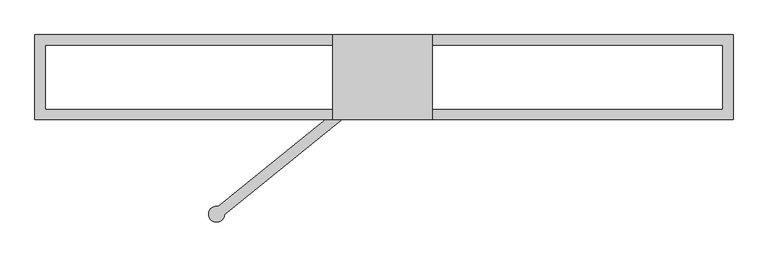
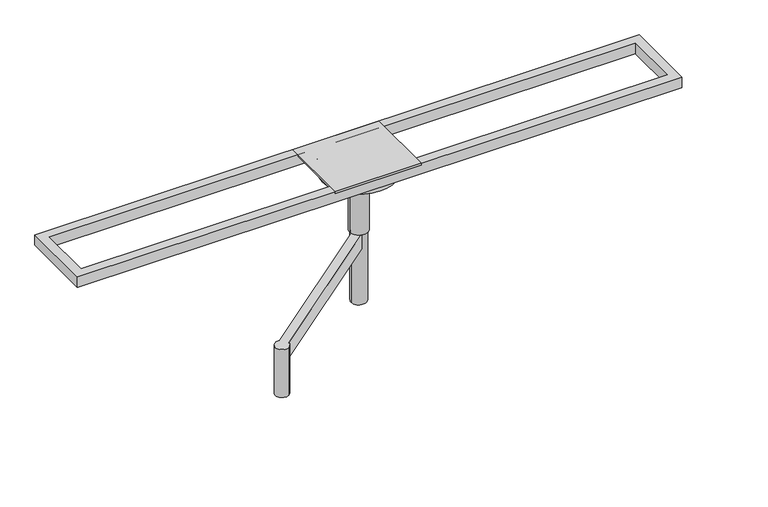
"""IFC4 building model written with IfcOpenShell, lengths in millimetres: proxy geometry."""

from ifc_helpers import new_model, si_unit, point, frame, frame_2d, origin, place, context, project, spatial, polyline, circle_curve, trimmed, segment, composite_curve, outline, extrude, source, transform, mapped, element, save
from ifc_brep_helpers import plane_surface, cylinder_surface, revolved_surface, advanced_brep


def specialty_equipment_f96867ae(model_context):
    return source(origin(), model_context, "Body", "SolidModel", [
        advanced_brep(
        [(78.3495996, -422.624242, 2729.6374648), (55.2213554, -394.0632389, 2729.6374648), (-531.1741252, -868.9169362, 2729.6374648), (-554.5256031, -874.7771815, 2729.6374648), (-518.5562833, -919.1955922, 2729.6374648), (-507.9662266, -897.4134365, 2729.6374648), (55.2213554, -394.0632389, 2663.8736245), (78.3495996, -422.624242, 2663.8736245), (-507.9662266, -897.4134365, 2663.8736245), (-531.1741252, -868.9169362, 2663.8736245), (-518.5562833, -919.1955922, 2520.0874648), (-554.5256031, -874.7771815, 2520.0874648)],
        [
            (0, 1),
            (1, 2),
            (2, 3, circle_curve(frame((-536.5409432, -896.9863869, 2729.6374648), z_axis=(0.0, 0.0, 1.0), x_axis=(-0.6293203910498335, 0.7771459614569741, 0.0)), 28.5779075)),
            (3, 4, circle_curve(frame((-536.5409432, -896.9863869, 2729.6374648), z_axis=(0.0, 0.0, 1.0), x_axis=(-0.6293203910498335, 0.7771459614569741, 0.0)), 28.5779075)),
            (4, 5, circle_curve(frame((-536.5409432, -896.9863869, 2729.6374648), z_axis=(0.0, 0.0, 1.0), x_axis=(-0.6293203910498335, 0.7771459614569741, 0.0)), 28.5779075)),
            (5, 0),
            (6, 7),
            (7, 8),
            (8, 9, circle_curve(frame((-536.5409432, -896.9863869, 2663.8736245), z_axis=(0.0, 0.0, 1.0), x_axis=(-0.6293203910498335, 0.7771459614569741, 0.0)), 28.5779075)),
            (9, 6),
            (7, 0),
            (5, 8),
            (6, 1),
            (9, 2),
            (10, 11, circle_curve(frame((-536.5409432, -896.9863869, 2520.0874648), z_axis=(0.0, 0.0, -1.0), x_axis=(-0.6293203910498335, 0.7771459614569741, 0.0)), 28.5779075)),
            (11, 10, circle_curve(frame((-536.5409432, -896.9863869, 2520.0874648), z_axis=(0.0, 0.0, -1.0), x_axis=(-0.6293203910498335, 0.7771459614569741, 0.0)), 28.5779075)),
            (11, 3),
            (4, 10),
        ],
        [
            plane_surface(frame((78.3495996, -422.624242, 2729.6374648), z_axis=(0.0, 0.0, 1.0), x_axis=(0.7771459614569731, 0.6293203910498347, 0.0))),
            plane_surface(frame((78.3495996, -422.624242, 2663.8736245), z_axis=(0.0, 0.0, -1.0), x_axis=(-0.7771459614569731, -0.6293203910498347, 0.0))),
            plane_surface(frame((-516.698258, -904.4844961, 2729.6374648), z_axis=(0.6293203910498347, -0.7771459614569731, 0.0), x_axis=(0.0, 0.0, -1.0))),
            plane_surface(frame((78.3495996, -422.624242, 2729.6374648), z_axis=(0.7771459614569741, 0.6293203910498334, 0.0), x_axis=(0.0, 0.0, -1.0))),
            plane_surface(frame((55.2213554, -394.0632389, 2729.6374648), z_axis=(-0.6293203910498347, 0.7771459614569732, 0.0), x_axis=(0.0, 0.0, -1.0))),
            plane_surface(frame((-554.5256031, -874.7771815, 2520.0874648), z_axis=(0.0, 0.0, -1.0), x_axis=(0.7771459614569741, 0.6293203910498335, 0.0))),
            cylinder_surface(frame((-536.5409432, -896.9863869, 2520.0874648), z_axis=(0.0, 0.0, 1.0), x_axis=(-0.6293203910498335, 0.7771459614569741, 0.0)), 28.5779075),
        ],
        [
            (0, [[1, 2, 3, 4, 5, 6]]),
            (1, [[7, 8, 9, 10]]),
            (2, [[11, -6, 12, -8]]),
            (3, [[-1, -11, -7, 13]]),
            (4, [[-13, -10, 14, -2]]),
            (5, [[15, 16]]),
            (6, [[-16, 17, -3, -14, -9, -12, -5, 18]]),
            (6, [[-4, -17, -15, -18]]),
        ],
    ),
        extrude(outline(composite_curve([segment(trimmed(circle_curve(frame_2d((64.38677, -407.0120309)), 31.75), [point((96.13677, -407.0120309))], [point((32.63677, -407.0120309))], False, "CARTESIAN"), True, "CONTINUOUS"), segment(trimmed(circle_curve(frame_2d((64.38677, -407.0120309)), 31.75), [point((32.63677, -407.0120309))], [point((96.13677, -407.0120309))], False, "CARTESIAN"), True, "CONTINUOUS")], self_intersect=False)), frame((0.0, 0.0, 2420.3291567), z_axis=(0.0, 0.0, 1.0), x_axis=(1.0, 0.0, 0.0)), (0.0, 0.0, 1.0), 309.3083081),
        extrude(outline(composite_curve([segment(trimmed(circle_curve(frame_2d((64.38677, -407.0120309)), 38.1), [point((102.48677, -407.0120309))], [point((26.28677, -407.0120309))], False, "CARTESIAN"), True, "CONTINUOUS"), segment(trimmed(circle_curve(frame_2d((64.38677, -407.0120309)), 38.1), [point((26.28677, -407.0120309))], [point((102.48677, -407.0120309))], False, "CARTESIAN"), True, "CONTINUOUS")], self_intersect=False)), frame((0.0, 0.0, 2729.6374648), z_axis=(0.0, 0.0, 1.0), x_axis=(1.0, 0.0, 0.0)), (0.0, 0.0, 1.0), 274.9283384),
        extrude(outline(polyline([(-119.5550645, -558.1216486), (-119.5550645, -253.3216486), (235.9984135, -253.3216486), (235.9984135, -558.1216486), (-119.5550645, -558.1216486)])), frame((0.0, 0.0, 3042.3776216), z_axis=(0.0, 0.0, 1.0), x_axis=(1.0, 0.0, 0.0)), (0.0, 0.0, 1.0), 7.6223784),
        advanced_brep(
        [(124.6894938, -406.8374194, 2945.4888457), (4.0394938, -406.8374194, 2945.4888457), (-85.8559963, -406.8374194, 2987.4320065), (214.5849838, -406.8374194, 2987.4320065), (64.3644938, -406.8374194, 2945.4888457), (214.5849838, -406.8374194, 3042.1428225), (-85.8559963, -406.8374194, 3042.1428225), (64.3644938, -406.8374194, 3042.1428225)],
        [
            (0, 1, circle_curve(frame((64.3644938, -406.8374194, 2945.4888457), z_axis=(0.0, 0.0, 1.0), x_axis=(-1.0, 0.0, 0.0)), 60.325)),
            (1, 2),
            (2, 3, circle_curve(frame((64.3644938, -406.8374194, 2987.4320065), z_axis=(0.0, 0.0, -1.0), x_axis=(-1.0, 0.0, 0.0)), 150.22049)),
            (3, 0),
            (1, 0, circle_curve(frame((64.3644938, -406.8374194, 2945.4888457), z_axis=(0.0, 0.0, 1.0), x_axis=(-1.0, 0.0, 0.0)), 60.325)),
            (3, 2, circle_curve(frame((64.3644938, -406.8374194, 2987.4320065), z_axis=(0.0, 0.0, -1.0), x_axis=(-1.0, 0.0, 0.0)), 150.22049)),
            (4, 1),
            (0, 4),
            (5, 6, circle_curve(frame((64.3644938, -406.8374194, 3042.1428225), z_axis=(0.0, 0.0, 1.0), x_axis=(-1.0, 0.0, 0.0)), 150.22049)),
            (6, 7),
            (7, 5),
            (6, 5, circle_curve(frame((64.3644938, -406.8374194, 3042.1428225), z_axis=(0.0, 0.0, 1.0), x_axis=(-1.0, 0.0, 0.0)), 150.22049)),
            (2, 6),
            (5, 3),
        ],
        [
            revolved_surface(polyline([(-85.8559963, -406.8374194, 2987.4320065), (4.0394938, -406.8374194, 2945.4888457)]), (64.3644938, -406.8374194, 3042.6664793), (0.0, 0.0, -1.0)),
            plane_surface(frame((64.3644938, -406.8374194, 2945.4888457), z_axis=(0.0, 0.0, -1.0), x_axis=(-1.0, 0.0, 0.0))),
            plane_surface(frame((64.3644938, -406.8374194, 3042.1428225), z_axis=(0.0, 0.0, 1.0), x_axis=(-1.0, 0.0, 0.0))),
            cylinder_surface(frame((64.3644938, -406.8374194, 3042.6664793), z_axis=(0.0, 0.0, -1.0), x_axis=(-1.0, 0.0, 0.0)), 150.22049),
        ],
        [
            (0, [[1, 2, 3, 4]]),
            (0, [[5, -4, 6, -2]]),
            (1, [[7, -1, 8]]),
            (1, [[-8, -5, -7]]),
            (2, [[9, 10, 11]]),
            (2, [[12, -11, -10]]),
            (3, [[-3, 13, -9, 14]]),
            (3, [[-6, -14, -12, -13]]),
        ],
    ),
        extrude(outline(polyline([(-1187.5673536, -558.1216486), (-1187.5673536, -253.3216486), (1314.3326464, -253.3216486), (1314.3326464, -558.1216486), (-1187.5673536, -558.1216486)]), holes=[polyline([(-1149.470426, -520.0216486), (1276.2295741, -520.0216486), (1276.2295741, -291.4216486), (-1149.470426, -291.4216486), (-1149.470426, -520.0216486)])]), frame((0.0, 0.0, 3004.5658033), z_axis=(0.0, 0.0, 1.0), x_axis=(1.0, 0.0, 0.0)), (0.0, 0.0, 1.0), 45.4341967),
    ])


if __name__ == "__main__":
    model = new_model("IFC4")
    model_context = context("Model", 3, world=origin())
    ifc_project = project(units=[si_unit("LENGTHUNIT", "METRE", prefix="MILLI")], contexts=[model_context])
    site = spatial("IfcSite", under=ifc_project)
    building = spatial("IfcBuilding", under=site)
    placement = place(None, origin())
    specialty_equipment_shape = specialty_equipment_f96867ae(model_context)
    element("IfcBuildingElementProxy", 1, Name="Specialty Equipment", at=placement, inside=building, context=model_context, shape_type="MappedRepresentation", body=[
        mapped(specialty_equipment_shape, transform((0.0, 0.0, 0.0), x_axis=(1.0, 0.0, 0.0), y_axis=(0.0, 1.0, 0.0), z_axis=(0.0, 0.0, 1.0))),
    ])
    save(model, "model.ifc")
